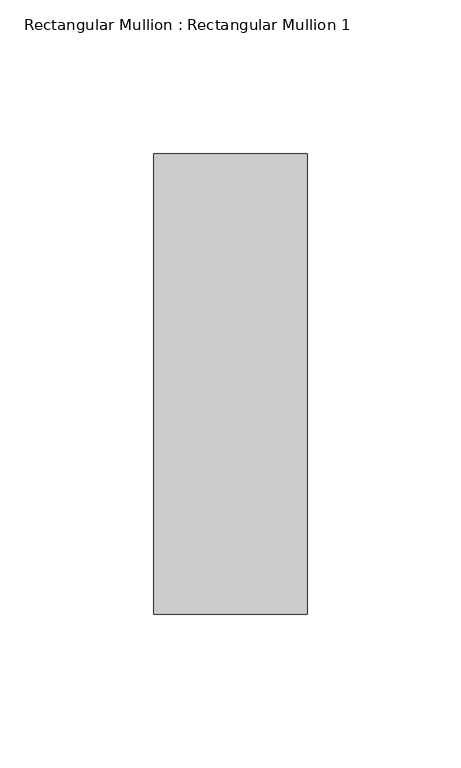
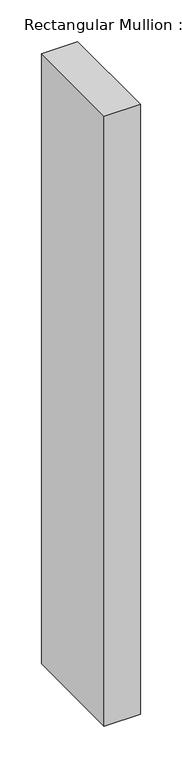
"""IFC4 building model written with IfcOpenShell, lengths in millimetres: member geometry, Rectangular Mullion : Rectangular Mullion 1."""

from ifc_helpers import new_model, si_unit, frame, origin, place, context, project, spatial, polyline, outline, extrude, source, transform, mapped, element, save


def rectangular_mullion_rectangular_mullion_1_c69050d7(model_context):
    return source(origin(), model_context, "Body", "SweptSolid", [
        extrude(outline(polyline([(25.0, 75.0), (25.0, -75.0), (-25.0, -75.0), (-25.0, 75.0), (25.0, 75.0)])), frame((0.0, 0.0, -891.6666667), z_axis=(0.0, 0.0, 1.0), x_axis=(1.0, 0.0, 0.0)), (0.0, 0.0, 1.0), 891.6666667),
    ])


if __name__ == "__main__":
    model = new_model("IFC4")
    model_context = context("Model", 3, world=origin())
    ifc_project = project(units=[si_unit("LENGTHUNIT", "METRE", prefix="MILLI")], contexts=[model_context])
    site = spatial("IfcSite", under=ifc_project)
    building = spatial("IfcBuilding", under=site)
    placement = place(None, origin())
    rectangular_mullion_rectangular_mullion_1_shape = rectangular_mullion_rectangular_mullion_1_c69050d7(model_context)
    element("IfcMember", 1, ObjectType="Rectangular Mullion : Rectangular Mullion 1", at=placement, inside=building, context=model_context, shape_type="MappedRepresentation", body=[
        mapped(rectangular_mullion_rectangular_mullion_1_shape, transform((0.0, 0.0, 0.0), x_axis=(1.0, 0.0, 0.0), y_axis=(0.0, 1.0, 0.0), z_axis=(0.0, 0.0, 1.0))),
    ])
    save(model, "model.ifc")
